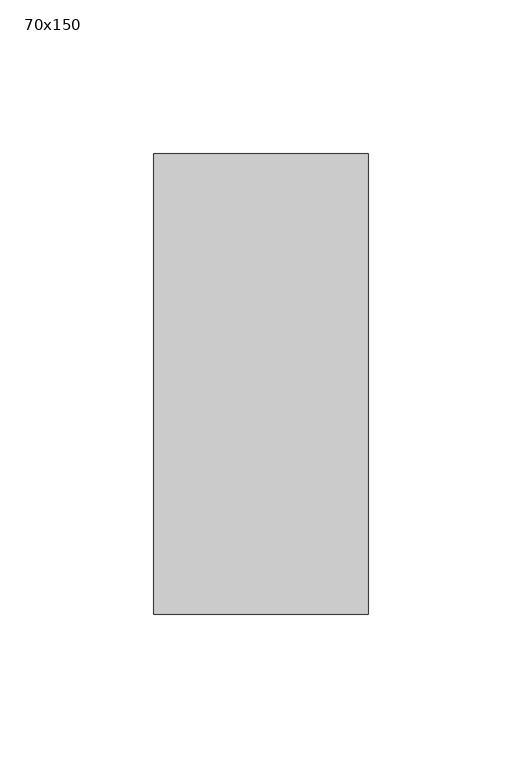
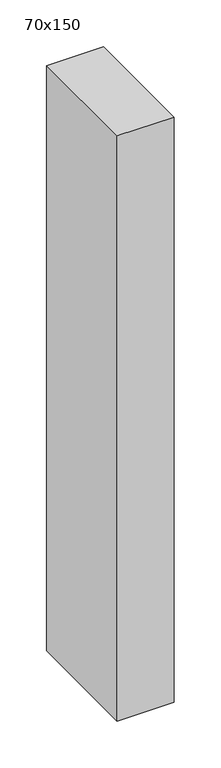
"""IFC4 building model written with IfcOpenShell, lengths in millimetres: member geometry, 70x150."""

from ifc_helpers import new_model, si_unit, frame, origin, place, context, project, spatial, polyline, outline, extrude, source, transform, mapped, element, save


def member_70x150_e0eddb57(model_context):
    return source(origin(), model_context, "Body", "SweptSolid", [
        extrude(outline(polyline([(35.0, 75.0), (35.0, -75.0), (-35.0, -75.0), (-35.0, 75.0), (35.0, 75.0)])), frame((0.0, 0.0, -760.0), z_axis=(0.0, 0.0, 1.0), x_axis=(1.0, 0.0, 0.0)), (0.0, 0.0, 1.0), 760.0),
    ])


if __name__ == "__main__":
    model = new_model("IFC4")
    model_context = context("Model", 3, world=origin())
    ifc_project = project(units=[si_unit("LENGTHUNIT", "METRE", prefix="MILLI")], contexts=[model_context])
    site = spatial("IfcSite", under=ifc_project)
    building = spatial("IfcBuilding", under=site)
    placement = place(None, origin())
    member_70x150_shape = member_70x150_e0eddb57(model_context)
    element("IfcMember", 1, ObjectType="70x150", at=placement, inside=building, context=model_context, shape_type="MappedRepresentation", body=[
        mapped(member_70x150_shape, transform((0.0, 0.0, 0.0), x_axis=(1.0, 0.0, 0.0), y_axis=(0.0, 1.0, 0.0), z_axis=(0.0, 0.0, 1.0))),
    ])
    save(model, "model.ifc")
